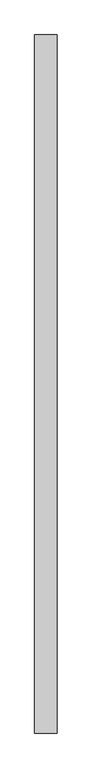
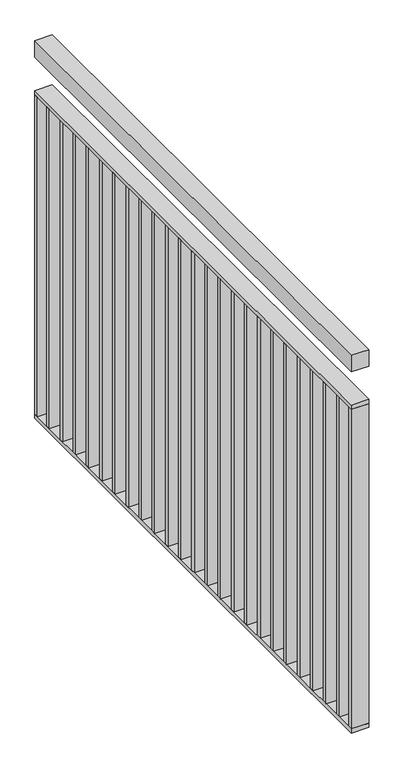
"""IFC4 building model written with IfcOpenShell, lengths in millimetres: railing geometry."""

from ifc_helpers import new_model, si_unit, frame, origin, place, context, project, spatial, polyline, outline, extrude, source, transform, mapped, element, save


def railing_4c1dc53d(model_context):
    return source(origin(), model_context, "Body", "SweptSolid", [
        extrude(outline(polyline([(-3037.5711368, -56176.6878855), (-3077.5711368, -56176.6878855), (-3077.5711368, -54926.6878855), (-3037.5711368, -54926.6878855), (-3037.5711368, -56176.6878855)])), frame((0.0, 0.0, 3960.0), z_axis=(0.0, 0.0, 1.0), x_axis=(1.0, 0.0, 0.0)), (0.0, 0.0, 1.0), 40.0),
        extrude(outline(polyline([(-3037.5711368, -56176.6878855), (-3077.5711368, -56176.6878855), (-3077.5711368, -54926.6878855), (-3037.5711368, -54926.6878855), (-3037.5711368, -56176.6878855)])), frame((0.0, 0.0, 3870.0), z_axis=(0.0, 0.0, 1.0), x_axis=(1.0, 0.0, 0.0)), (0.0, 0.0, 1.0), 10.0),
        extrude(outline(polyline([(-3037.5711368, -56176.6878855), (-3077.5711368, -56176.6878855), (-3077.5711368, -54926.6878855), (-3037.5711368, -54926.6878855), (-3037.5711368, -56176.6878855)])), frame((0.0, 0.0, 3090.0), z_axis=(0.0, 0.0, 1.0), x_axis=(1.0, 0.0, 0.0)), (0.0, 0.0, 1.0), 10.0),
        extrude(outline(polyline([(-3037.5711368, -54983.7712189), (-3077.5711368, -54983.7712189), (-3077.5711368, -54973.7712189), (-3037.5711368, -54973.7712189), (-3037.5711368, -54983.7712189)])), frame((0.0, 0.0, 3100.0), z_axis=(0.0, 0.0, 1.0), x_axis=(1.0, 0.0, 0.0)), (0.0, 0.0, 1.0), 770.0),
        extrude(outline(polyline([(-3037.5711368, -55035.8545522), (-3077.5711368, -55035.8545522), (-3077.5711368, -55025.8545522), (-3037.5711368, -55025.8545522), (-3037.5711368, -55035.8545522)])), frame((0.0, 0.0, 3100.0), z_axis=(0.0, 0.0, 1.0), x_axis=(1.0, 0.0, 0.0)), (0.0, 0.0, 1.0), 770.0),
        extrude(outline(polyline([(-3037.5711368, -55087.9378855), (-3077.5711368, -55087.9378855), (-3077.5711368, -55077.9378855), (-3037.5711368, -55077.9378855), (-3037.5711368, -55087.9378855)])), frame((0.0, 0.0, 3100.0), z_axis=(0.0, 0.0, 1.0), x_axis=(1.0, 0.0, 0.0)), (0.0, 0.0, 1.0), 770.0),
        extrude(outline(polyline([(-3037.5711368, -55140.0212189), (-3077.5711368, -55140.0212189), (-3077.5711368, -55130.0212189), (-3037.5711368, -55130.0212189), (-3037.5711368, -55140.0212189)])), frame((0.0, 0.0, 3100.0), z_axis=(0.0, 0.0, 1.0), x_axis=(1.0, 0.0, 0.0)), (0.0, 0.0, 1.0), 770.0),
        extrude(outline(polyline([(-3037.5711368, -55192.1045522), (-3077.5711368, -55192.1045522), (-3077.5711368, -55182.1045522), (-3037.5711368, -55182.1045522), (-3037.5711368, -55192.1045522)])), frame((0.0, 0.0, 3100.0), z_axis=(0.0, 0.0, 1.0), x_axis=(1.0, 0.0, 0.0)), (0.0, 0.0, 1.0), 770.0),
        extrude(outline(polyline([(-3037.5711368, -55244.1878855), (-3077.5711368, -55244.1878855), (-3077.5711368, -55234.1878855), (-3037.5711368, -55234.1878855), (-3037.5711368, -55244.1878855)])), frame((0.0, 0.0, 3100.0), z_axis=(0.0, 0.0, 1.0), x_axis=(1.0, 0.0, 0.0)), (0.0, 0.0, 1.0), 770.0),
        extrude(outline(polyline([(-3037.5711368, -55296.2712189), (-3077.5711368, -55296.2712189), (-3077.5711368, -55286.2712189), (-3037.5711368, -55286.2712189), (-3037.5711368, -55296.2712189)])), frame((0.0, 0.0, 3100.0), z_axis=(0.0, 0.0, 1.0), x_axis=(1.0, 0.0, 0.0)), (0.0, 0.0, 1.0), 770.0),
        extrude(outline(polyline([(-3037.5711368, -55348.3545522), (-3077.5711368, -55348.3545522), (-3077.5711368, -55338.3545522), (-3037.5711368, -55338.3545522), (-3037.5711368, -55348.3545522)])), frame((0.0, 0.0, 3100.0), z_axis=(0.0, 0.0, 1.0), x_axis=(1.0, 0.0, 0.0)), (0.0, 0.0, 1.0), 770.0),
        extrude(outline(polyline([(-3037.5711368, -55400.4378855), (-3077.5711368, -55400.4378855), (-3077.5711368, -55390.4378855), (-3037.5711368, -55390.4378855), (-3037.5711368, -55400.4378855)])), frame((0.0, 0.0, 3100.0), z_axis=(0.0, 0.0, 1.0), x_axis=(1.0, 0.0, 0.0)), (0.0, 0.0, 1.0), 770.0),
        extrude(outline(polyline([(-3037.5711368, -55452.5212189), (-3077.5711368, -55452.5212189), (-3077.5711368, -55442.5212189), (-3037.5711368, -55442.5212189), (-3037.5711368, -55452.5212189)])), frame((0.0, 0.0, 3100.0), z_axis=(0.0, 0.0, 1.0), x_axis=(1.0, 0.0, 0.0)), (0.0, 0.0, 1.0), 770.0),
        extrude(outline(polyline([(-3037.5711368, -55504.6045522), (-3077.5711368, -55504.6045522), (-3077.5711368, -55494.6045522), (-3037.5711368, -55494.6045522), (-3037.5711368, -55504.6045522)])), frame((0.0, 0.0, 3100.0), z_axis=(0.0, 0.0, 1.0), x_axis=(1.0, 0.0, 0.0)), (0.0, 0.0, 1.0), 770.0),
        extrude(outline(polyline([(-3037.5711368, -55556.6878855), (-3077.5711368, -55556.6878855), (-3077.5711368, -55546.6878855), (-3037.5711368, -55546.6878855), (-3037.5711368, -55556.6878855)])), frame((0.0, 0.0, 3100.0), z_axis=(0.0, 0.0, 1.0), x_axis=(1.0, 0.0, 0.0)), (0.0, 0.0, 1.0), 770.0),
        extrude(outline(polyline([(-3037.5711368, -55608.7712189), (-3077.5711368, -55608.7712189), (-3077.5711368, -55598.7712189), (-3037.5711368, -55598.7712189), (-3037.5711368, -55608.7712189)])), frame((0.0, 0.0, 3100.0), z_axis=(0.0, 0.0, 1.0), x_axis=(1.0, 0.0, 0.0)), (0.0, 0.0, 1.0), 770.0),
        extrude(outline(polyline([(-3037.5711368, -55660.8545522), (-3077.5711368, -55660.8545522), (-3077.5711368, -55650.8545522), (-3037.5711368, -55650.8545522), (-3037.5711368, -55660.8545522)])), frame((0.0, 0.0, 3100.0), z_axis=(0.0, 0.0, 1.0), x_axis=(1.0, 0.0, 0.0)), (0.0, 0.0, 1.0), 770.0),
        extrude(outline(polyline([(-3037.5711368, -55712.9378855), (-3077.5711368, -55712.9378855), (-3077.5711368, -55702.9378855), (-3037.5711368, -55702.9378855), (-3037.5711368, -55712.9378855)])), frame((0.0, 0.0, 3100.0), z_axis=(0.0, 0.0, 1.0), x_axis=(1.0, 0.0, 0.0)), (0.0, 0.0, 1.0), 770.0),
        extrude(outline(polyline([(-3037.5711368, -55765.0212189), (-3077.5711368, -55765.0212189), (-3077.5711368, -55755.0212189), (-3037.5711368, -55755.0212189), (-3037.5711368, -55765.0212189)])), frame((0.0, 0.0, 3100.0), z_axis=(0.0, 0.0, 1.0), x_axis=(1.0, 0.0, 0.0)), (0.0, 0.0, 1.0), 770.0),
        extrude(outline(polyline([(-3037.5711368, -55817.1045522), (-3077.5711368, -55817.1045522), (-3077.5711368, -55807.1045522), (-3037.5711368, -55807.1045522), (-3037.5711368, -55817.1045522)])), frame((0.0, 0.0, 3100.0), z_axis=(0.0, 0.0, 1.0), x_axis=(1.0, 0.0, 0.0)), (0.0, 0.0, 1.0), 770.0),
        extrude(outline(polyline([(-3037.5711368, -55869.1878855), (-3077.5711368, -55869.1878855), (-3077.5711368, -55859.1878855), (-3037.5711368, -55859.1878855), (-3037.5711368, -55869.1878855)])), frame((0.0, 0.0, 3100.0), z_axis=(0.0, 0.0, 1.0), x_axis=(1.0, 0.0, 0.0)), (0.0, 0.0, 1.0), 770.0),
        extrude(outline(polyline([(-3037.5711368, -55921.2712189), (-3077.5711368, -55921.2712189), (-3077.5711368, -55911.2712189), (-3037.5711368, -55911.2712189), (-3037.5711368, -55921.2712189)])), frame((0.0, 0.0, 3100.0), z_axis=(0.0, 0.0, 1.0), x_axis=(1.0, 0.0, 0.0)), (0.0, 0.0, 1.0), 770.0),
        extrude(outline(polyline([(-3037.5711368, -55973.3545522), (-3077.5711368, -55973.3545522), (-3077.5711368, -55963.3545522), (-3037.5711368, -55963.3545522), (-3037.5711368, -55973.3545522)])), frame((0.0, 0.0, 3100.0), z_axis=(0.0, 0.0, 1.0), x_axis=(1.0, 0.0, 0.0)), (0.0, 0.0, 1.0), 770.0),
        extrude(outline(polyline([(-3037.5711368, -56025.4378855), (-3077.5711368, -56025.4378855), (-3077.5711368, -56015.4378855), (-3037.5711368, -56015.4378855), (-3037.5711368, -56025.4378855)])), frame((0.0, 0.0, 3100.0), z_axis=(0.0, 0.0, 1.0), x_axis=(1.0, 0.0, 0.0)), (0.0, 0.0, 1.0), 770.0),
        extrude(outline(polyline([(-3037.5711368, -56077.5212189), (-3077.5711368, -56077.5212189), (-3077.5711368, -56067.5212189), (-3037.5711368, -56067.5212189), (-3037.5711368, -56077.5212189)])), frame((0.0, 0.0, 3100.0), z_axis=(0.0, 0.0, 1.0), x_axis=(1.0, 0.0, 0.0)), (0.0, 0.0, 1.0), 770.0),
        extrude(outline(polyline([(-3037.5711368, -56129.6045522), (-3077.5711368, -56129.6045522), (-3077.5711368, -56119.6045522), (-3037.5711368, -56119.6045522), (-3037.5711368, -56129.6045522)])), frame((0.0, 0.0, 3100.0), z_axis=(0.0, 0.0, 1.0), x_axis=(1.0, 0.0, 0.0)), (0.0, 0.0, 1.0), 770.0),
        extrude(outline(polyline([(-3037.5711368, -54936.6878855), (-3077.5711368, -54936.6878855), (-3077.5711368, -54926.6878855), (-3037.5711368, -54926.6878855), (-3037.5711368, -54936.6878855)])), frame((0.0, 0.0, 3100.0), z_axis=(0.0, 0.0, 1.0), x_axis=(1.0, 0.0, 0.0)), (0.0, 0.0, 1.0), 770.0),
        extrude(outline(polyline([(-3037.5711368, -56176.6878855), (-3077.5711368, -56176.6878855), (-3077.5711368, -56166.6878855), (-3037.5711368, -56166.6878855), (-3037.5711368, -56176.6878855)])), frame((0.0, 0.0, 3100.0), z_axis=(0.0, 0.0, 1.0), x_axis=(1.0, 0.0, 0.0)), (0.0, 0.0, 1.0), 770.0),
    ])


if __name__ == "__main__":
    model = new_model("IFC4")
    model_context = context("Model", 3, world=origin())
    ifc_project = project(units=[si_unit("LENGTHUNIT", "METRE", prefix="MILLI")], contexts=[model_context])
    site = spatial("IfcSite", under=ifc_project)
    building = spatial("IfcBuilding", under=site)
    placement = place(None, origin())
    railing_shape = railing_4c1dc53d(model_context)
    element("IfcRailing", 1, at=placement, inside=building, context=model_context, shape_type="MappedRepresentation", body=[
        mapped(railing_shape, transform((0.0, 0.0, 0.0), x_axis=(1.0, 0.0, 0.0), y_axis=(0.0, 1.0, 0.0), z_axis=(0.0, 0.0, 1.0))),
    ])
    save(model, "model.ifc")
